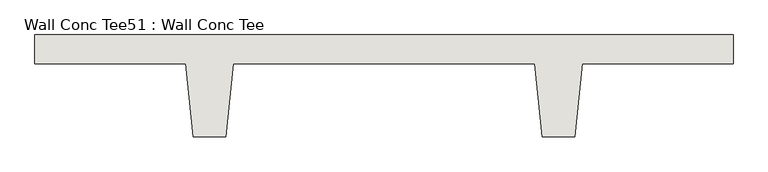
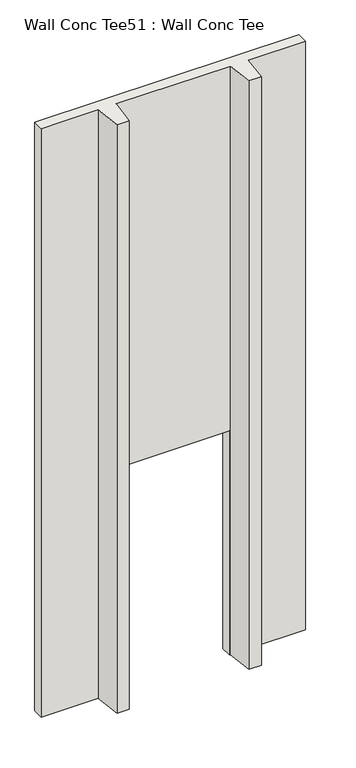
"""IFC4 building model written with IfcOpenShell, lengths in millimetres: wall geometry, Wall Conc Tee51 : Wall Conc Tee."""

from ifc_helpers import new_model, si_unit, origin, place, context, project, spatial, faceted_brep, source, transform, mapped, element, save


def wall_conc_tee51_wall_conc_tee_123ad2aa(model_context):
    return source(origin(), model_context, "Body", "Brep", [
        faceted_brep([(202400.6728488, 159042.8596581, 5884.1592564), (199962.2728488, 159042.8596581, 5884.1592564), (199962.2728488, 158941.2596581, 5884.1592564), (200489.3228488, 158941.2596581, 5884.1592564), (200514.7228488, 158687.2596581, 5884.1592564), (200629.0228488, 158687.2596581, 5884.1592564), (200654.4228488, 158941.2596581, 5884.1592564), (201708.5228488, 158941.2596581, 5884.1592564), (201733.9228488, 158687.2596581, 5884.1592564), (201848.2228488, 158687.2596581, 5884.1592564), (201873.6228488, 158941.2596581, 5884.1592564), (202400.6728488, 158941.2596581, 5884.1592564), (202400.6728488, 159042.8596581, 143.7592564), (202400.6728488, 158941.2596581, 143.7592564), (201873.6228488, 158941.2596581, 143.7592564), (201848.2228488, 158687.2596581, 143.7592564), (201733.9228488, 158687.2596581, 143.7592564), (201708.5228488, 158941.2596581, 143.7592564), (201700.5853488, 158941.2596581, 143.7592564), (201700.5853488, 159042.8596581, 143.7592564), (200654.4228488, 158941.2596581, 143.7592564), (200629.0228488, 158687.2596581, 143.7592564), (200514.7228488, 158687.2596581, 143.7592564), (200489.3228488, 158941.2596581, 143.7592564), (199962.2728488, 158941.2596581, 143.7592564), (199962.2728488, 159042.8596581, 143.7592564), (200675.0603488, 159042.8596581, 143.7592564), (200675.0603488, 158941.2596581, 143.7592564), (201700.5853488, 159042.8596581, 2328.1592564), (200675.0603488, 159042.8596581, 2328.1592564), (200675.0603488, 158941.2596581, 2328.1592564), (201700.5853488, 158941.2596581, 2328.1592564)], [[[0, 1, 2, 3, 4, 5, 6, 7, 8, 9, 10, 11]], [[12, 13, 14, 15, 16, 17, 18, 19]], [[20, 21, 22, 23, 24, 25, 26, 27]], [[1, 0, 12, 19, 28, 29, 26, 25]], [[2, 1, 25, 24]], [[3, 2, 24, 23]], [[4, 3, 23, 22]], [[5, 4, 22, 21]], [[6, 5, 21, 20]], [[7, 6, 20, 27, 30, 31, 18, 17]], [[8, 7, 17, 16]], [[9, 8, 16, 15]], [[10, 9, 15, 14]], [[11, 10, 14, 13]], [[0, 11, 13, 12]], [[29, 30, 27, 26]], [[30, 29, 28, 31]], [[31, 28, 19, 18]]]),
    ])


if __name__ == "__main__":
    model = new_model("IFC4")
    model_context = context("Model", 3, world=origin())
    ifc_project = project(units=[si_unit("LENGTHUNIT", "METRE", prefix="MILLI")], contexts=[model_context])
    site = spatial("IfcSite", under=ifc_project)
    building = spatial("IfcBuilding", under=site)
    placement = place(None, origin())
    wall_conc_tee51_wall_conc_tee_shape = wall_conc_tee51_wall_conc_tee_123ad2aa(model_context)
    element("IfcWall", 1, ObjectType="Wall Conc Tee51 : Wall Conc Tee", at=placement, inside=building, context=model_context, shape_type="MappedRepresentation", body=[
        mapped(wall_conc_tee51_wall_conc_tee_shape, transform((0.0, 0.0, 0.0), x_axis=(1.0, 0.0, 0.0), y_axis=(0.0, 1.0, 0.0), z_axis=(0.0, 0.0, 1.0))),
    ])
    save(model, "model.ifc")
